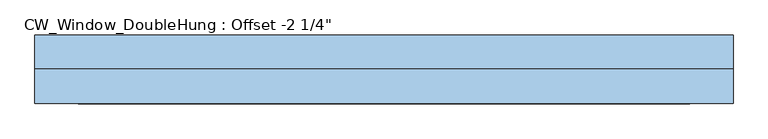
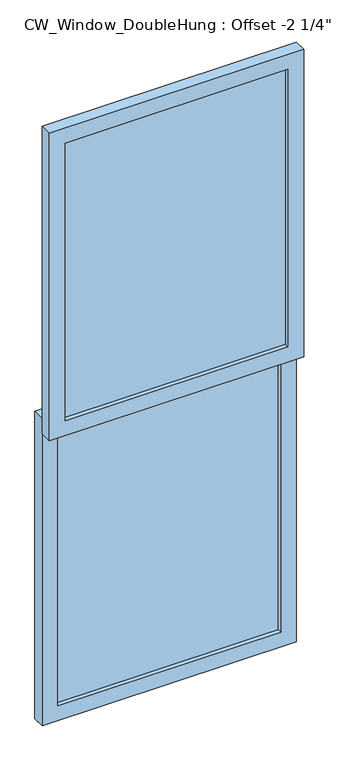
"""IFC4 building model written with IfcOpenShell, lengths in millimetres: window geometry."""

import ifcopenshell
import ifcopenshell.guid

model = None  # the IFC model being written
_history = None  # IfcOwnerHistory: only IFC2X3 demands one
_inside = {}  # id of a spatial element -> (the spatial element, [elements in it])
_under = {}  # id of a project, library or spatial element -> (it, [spatial elements below it])
_declared = {}  # id of a project -> (the project, [libraries it declares])
_typed = {}  # id of a type object -> (the type object, [elements of that type])
_made_of = {}  # id of a material, layer set ... -> (it, [elements and type objects made of it])


def new_model(schema):
    """Start an empty IFC model of exactly this schema.

    Asked for "IFC4X3", IfcOpenShell would pick the latest addendum, in which some entities
    have other attributes; the version numbers below select the first issue.
    IFC2X3 requires an IfcOwnerHistory on every rooted entity: one is made here for all.
    """
    global model, _history
    if schema == "IFC4X3":
        model = ifcopenshell.file(schema_version=(4, 3, 0, 0))
    else:
        model = ifcopenshell.file(schema=schema)
    _inside.clear()
    _under.clear()
    _declared.clear()
    _typed.clear()
    _made_of.clear()
    _history = None
    if model.schema == "IFC2X3":
        org = make("IfcOrganization", Name="unknown")
        user = make(
            "IfcPersonAndOrganization",
            ThePerson=make("IfcPerson", FamilyName="unknown"),
            TheOrganization=org,
        )
        app = make(
            "IfcApplication",
            ApplicationDeveloper=org,
            Version="unknown",
            ApplicationFullName="unknown",
            ApplicationIdentifier="unknown",
        )
        _history = make(
            "IfcOwnerHistory",
            OwningUser=user,
            OwningApplication=app,
            ChangeAction="ADDED",
            CreationDate=0,
        )
    return model


def make(cls, **values):
    """One entity of the class cls with the attributes given. An attribute that is None is left unset."""
    return model.create_entity(
        cls, **{name: value for name, value in values.items() if value is not None}
    )


def rooted(cls, **values):
    """An entity with a GlobalId (a new one), such as an element, a storey or a relation."""
    return make(cls, GlobalId=ifcopenshell.guid.new(), OwnerHistory=_history, **values)


def si_unit(unit_type, name, prefix=None):
    """IfcSIUnit, for example si_unit("LENGTHUNIT", "METRE", prefix="MILLI")."""
    return make("IfcSIUnit", UnitType=unit_type, Prefix=prefix, Name=name)


def assignment(units):
    """IfcUnitAssignment: the units of a project."""
    return None if units is None else make("IfcUnitAssignment", Units=units)


def point(xyz):
    """IfcCartesianPoint."""
    return None if xyz is None else make("IfcCartesianPoint", Coordinates=xyz)


def direction(xyz):
    """IfcDirection."""
    return None if xyz is None else make("IfcDirection", DirectionRatios=xyz)


def frame(location, z_axis=None, x_axis=None):
    """IfcAxis2Placement3D, a coordinate frame: its origin and axes. An axis left out is left unset."""
    return make(
        "IfcAxis2Placement3D",
        Location=point(location),
        Axis=direction(z_axis),
        RefDirection=direction(x_axis),
    )


def origin():
    """The frame at (0, 0, 0) with its axes left unset."""
    return frame((0.0, 0.0, 0.0))


def place(relative_to, where):
    """IfcLocalPlacement: puts the frame where relative to a parent placement (None: the world)."""
    return make(
        "IfcLocalPlacement", PlacementRelTo=relative_to, RelativePlacement=where
    )


def context(
    kind, dimensions, precision=None, world=None, true_north=None, identifier=None
):
    """IfcGeometricRepresentationContext, for example the 3D "Model" context."""
    return make(
        "IfcGeometricRepresentationContext",
        ContextIdentifier=identifier,
        ContextType=kind,
        CoordinateSpaceDimension=dimensions,
        Precision=precision,
        WorldCoordinateSystem=world,
        TrueNorth=true_north,
    )


def project(units=None, contexts=None):
    """IfcProject with its units and contexts."""
    return rooted(
        "IfcProject",
        Name="project",
        RepresentationContexts=contexts,
        UnitsInContext=assignment(units),
    )


def spatial(cls, under=None, at=None, **own):
    """A site, building, storey or space (cls), placed at a placement, below another one or the project."""
    s = rooted(cls, ObjectPlacement=at, **own)
    if under is not None:
        _under.setdefault(under.id(), (under, []))[1].append(s)
    return s


def polyline(points):
    """IfcPolyline through the points."""
    return make("IfcPolyline", Points=[point(p) for p in points])


def outline(outer, holes=None, kind="AREA"):
    """IfcArbitraryClosedProfileDef: a profile drawn as a closed curve; with holes, ...WithVoids."""
    if holes is None:
        return make("IfcArbitraryClosedProfileDef", ProfileType=kind, OuterCurve=outer)
    return make(
        "IfcArbitraryProfileDefWithVoids",
        ProfileType=kind,
        OuterCurve=outer,
        InnerCurves=holes,
    )


def extrude(swept, where, along, depth):
    """IfcExtrudedAreaSolid: the profile swept, set in the frame where, extruded along a direction by depth."""
    return make(
        "IfcExtrudedAreaSolid",
        SweptArea=swept,
        Position=where,
        ExtrudedDirection=direction(along),
        Depth=depth,
    )


def shape(context_of_items, identifier, shape_type, items):
    """IfcShapeRepresentation: the items that make up one representation, for example the "Body"."""
    return make(
        "IfcShapeRepresentation",
        ContextOfItems=context_of_items,
        RepresentationIdentifier=identifier,
        RepresentationType=shape_type,
        Items=items,
    )


def source(mapping_origin, context_of_items, identifier, shape_type, items):
    """IfcRepresentationMap: a shape defined once, which mapped items show again and again."""
    return make(
        "IfcRepresentationMap",
        MappingOrigin=mapping_origin,
        MappedRepresentation=shape(context_of_items, identifier, shape_type, items),
    )


def transform(
    local_origin,
    x_axis=None,
    y_axis=None,
    z_axis=None,
    scale=None,
    scale2=None,
    scale3=None,
    uniform=True,
):
    """IfcCartesianTransformationOperator3D, or its non-uniform kind. x_axis, y_axis, z_axis: its Axis1, 2, 3."""
    if uniform:
        return make(
            "IfcCartesianTransformationOperator3D",
            Axis1=direction(x_axis),
            Axis2=direction(y_axis),
            LocalOrigin=point(local_origin),
            Scale=scale,
            Axis3=direction(z_axis),
        )
    return make(
        "IfcCartesianTransformationOperator3DnonUniform",
        Axis1=direction(x_axis),
        Axis2=direction(y_axis),
        LocalOrigin=point(local_origin),
        Scale=scale,
        Axis3=direction(z_axis),
        Scale2=scale2,
        Scale3=scale3,
    )


def mapped(mapping_source, mapping_target):
    """IfcMappedItem: shows the shape of a source again, moved by a transform."""
    return make(
        "IfcMappedItem", MappingSource=mapping_source, MappingTarget=mapping_target
    )


def made_of(thing, what):
    """Note that an element or type object is made of a material, layer set ...; save() writes the relation."""
    if what is not None:
        _made_of.setdefault(what.id(), (what, []))[1].append(thing)
    return thing


def element(
    cls,
    number,
    at=None,
    inside=None,
    cuts=None,
    type_object=None,
    material=None,
    context=None,
    identifier="Body",
    shape_type=None,
    held_by="IfcProductDefinitionShape",
    body=None,
    shapes=None,
    **own,
):
    """One element of the class cls, such as IfcWall. Its Tag is "e" and its number.

    at: its placement. inside: the storey or other place that contains it. cuts: it is an
    opening in that element (IfcRelVoidsElement). A single representation is given by context,
    identifier, shape_type and body (its items); several are given by shapes. held_by: the class
    of the entity that holds the representations. save() writes the other relations.
    """
    e = rooted(cls, Tag="e%d" % number, ObjectPlacement=at, **own)
    if body is not None:
        shapes = [shape(context, identifier, shape_type, body)]
    if shapes is not None:
        e.Representation = make(held_by, Representations=shapes)
    if inside is not None:
        _inside.setdefault(inside.id(), (inside, []))[1].append(e)
    if cuts is not None:
        rooted(
            "IfcRelVoidsElement", RelatingBuildingElement=cuts, RelatedOpeningElement=e
        )
    if type_object is not None:
        _typed.setdefault(type_object.id(), (type_object, []))[1].append(e)
    return made_of(e, material)


def aggregate(whole, parts):
    """IfcRelAggregates: a whole, such as a stair, and the parts it consists of."""
    return rooted("IfcRelAggregates", RelatingObject=whole, RelatedObjects=parts)


def save(model, path):
    """Write the relations noted so far, then the file.

    IfcRelAggregates (storeys below a building ...), IfcRelContainedInSpatialStructure (elements
    in a storey), IfcRelDefinesByType, IfcRelAssociatesMaterial and IfcRelDeclares: one each for
    every whole, place, type object, material and project.
    """
    for whole, parts in _under.values():
        aggregate(whole, parts)
    for where, things in _inside.values():
        rooted(
            "IfcRelContainedInSpatialStructure",
            RelatedElements=things,
            RelatingStructure=where,
        )
    for kind, things in _typed.values():
        rooted("IfcRelDefinesByType", RelatedObjects=things, RelatingType=kind)
    for what, things in _made_of.values():
        rooted("IfcRelAssociatesMaterial", RelatedObjects=things, RelatingMaterial=what)
    for by, libraries in _declared.values():
        rooted("IfcRelDeclares", RelatingContext=by, RelatedDefinitions=libraries)
    model.write(path)


def window_2c5ca6b5(model_context):
    return source(origin(), model_context, "Body", "SweptSolid", [
        extrude(outline(polyline([(2565.4, -514.35), (1250.95, -514.35), (1250.95, 514.35), (2565.4, 514.35), (2565.4, -514.35)]), holes=[polyline([(2501.9, -450.85), (2501.9, 450.85), (1314.45, 450.85), (1314.45, -450.85), (2501.9, -450.85)])]), frame((0.0, -57.15, 0.0), z_axis=(0.0, 1.0, 0.0), x_axis=(0.0, 0.0, 1.0)), (0.0, 0.0, 1.0), 50.8),
        extrude(outline(polyline([(450.85, -23.2833333), (450.85, -40.2166667), (-450.85, -40.2166667), (-450.85, -23.2833333), (450.85, -23.2833333)])), frame((0.0, 0.0, 1314.45), z_axis=(0.0, 0.0, 1.0), x_axis=(1.0, 0.0, 0.0)), (0.0, 0.0, 1.0), 1187.45),
        extrude(outline(polyline([(1314.45, -514.35), (0.0, -514.35), (0.0, 514.35), (1314.45, 514.35), (1314.45, -514.35)]), holes=[polyline([(1250.95, -450.85), (1250.95, 450.85), (63.5, 450.85), (63.5, -450.85), (1250.95, -450.85)])]), frame((0.0, -6.35, 0.0), z_axis=(0.0, 1.0, 0.0), x_axis=(0.0, 0.0, 1.0)), (0.0, 0.0, 1.0), 50.8),
        extrude(outline(polyline([(450.85, 27.5166667), (450.85, 10.5833333), (-450.85, 10.5833333), (-450.85, 27.5166667), (450.85, 27.5166667)])), frame((0.0, 0.0, 63.5), z_axis=(0.0, 0.0, 1.0), x_axis=(1.0, 0.0, 0.0)), (0.0, 0.0, 1.0), 1187.45),
    ])


if __name__ == "__main__":
    model = new_model("IFC4")
    model_context = context("Model", 3, world=origin())
    ifc_project = project(units=[si_unit("LENGTHUNIT", "METRE", prefix="MILLI")], contexts=[model_context])
    site = spatial("IfcSite", under=ifc_project)
    building = spatial("IfcBuilding", under=site)
    placement = place(None, origin())
    window_shape = window_2c5ca6b5(model_context)
    element("IfcWindow", 1, ObjectType="CW_Window_DoubleHung : Offset -2 1/4\"", at=placement, inside=building, context=model_context, shape_type="MappedRepresentation", body=[
        mapped(window_shape, transform((0.0, 0.0, 0.0), x_axis=(1.0, 0.0, 0.0), y_axis=(0.0, 1.0, 0.0), z_axis=(0.0, 0.0, 1.0))),
    ])
    save(model, "model.ifc")
